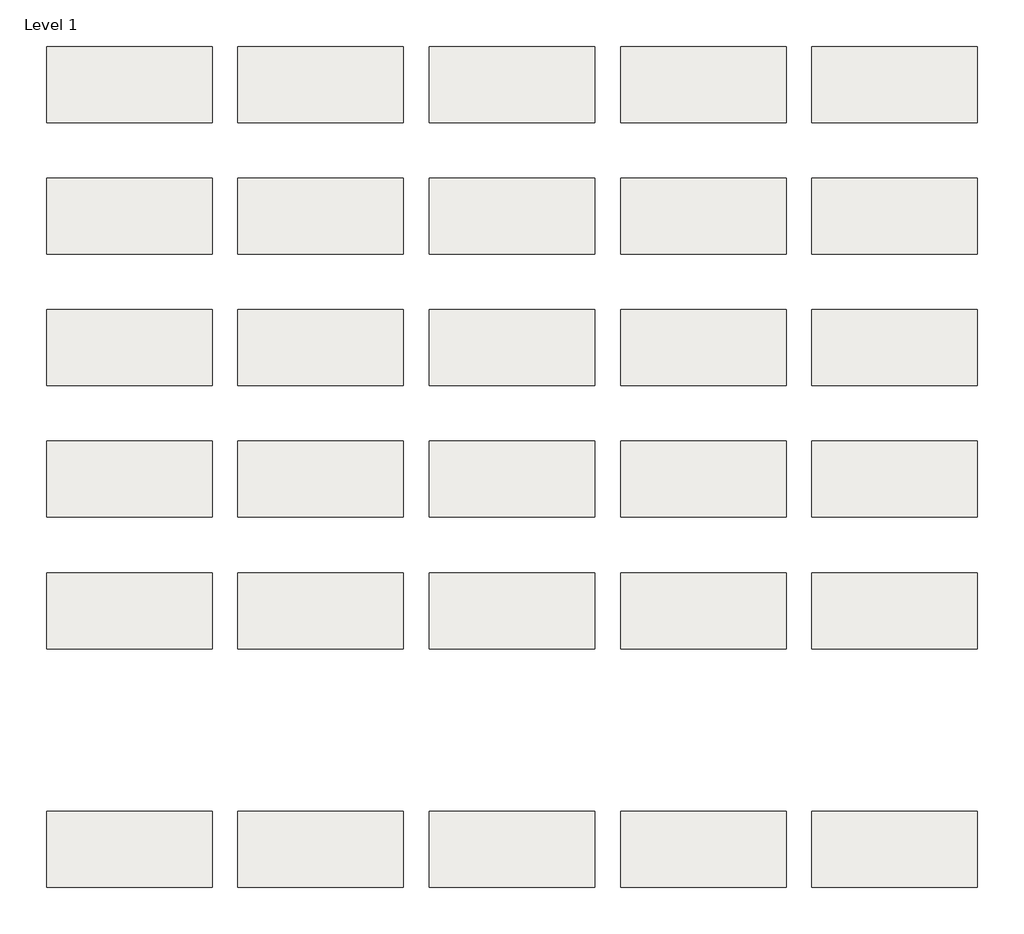
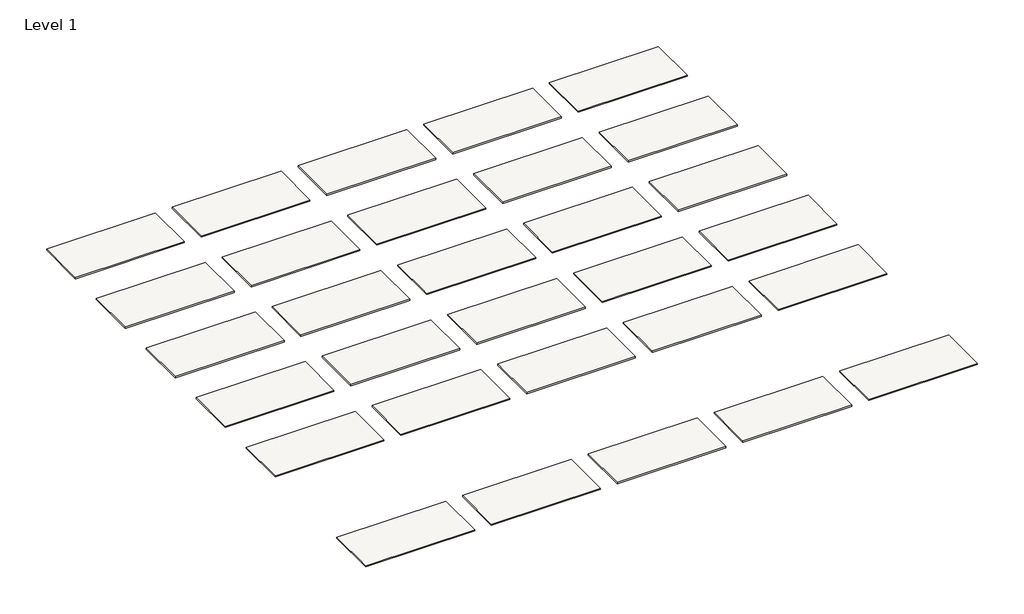
# One storey: 30 roofs.
"""IFC4 building model written with IfcOpenShell, lengths in millimetres."""

from ifc_helpers import new_model, si_unit, origin, origin_with_axes, place, context, project, spatial, polyline, outline, extrude, element, save

model = new_model("IFC4")

# Units and contexts
model_context = context("Model", 3, world=origin())
ifc_project = project(units=[si_unit("LENGTHUNIT", "METRE", prefix="MILLI")], contexts=[model_context])

# Site, building, storey
site = spatial("IfcSite", under=ifc_project)
building = spatial("IfcBuilding", under=site)
storey = spatial("IfcBuildingStorey", under=building, Name="Level 1", Elevation=0.0)

# Roofs
placement = place(None, origin())
element("IfcRoof", 1, at=placement, inside=storey, context=model_context, shape_type="SweptSolid", body=[
    extrude(outline(polyline([(-9725.8471173, -1370.5264682), (-6627.0471173, -1370.5264682), (-6627.0471173, -2792.9264682), (-9725.8471173, -2792.9264682), (-9725.8471173, -1370.5264682)])), origin_with_axes(), (0.0, 0.0, 1.0), 38.1),
])
element("IfcRoof", 2, at=placement, inside=storey, context=model_context, shape_type="SweptSolid", body=[
    extrude(outline(polyline([(-6144.4471173, -1370.5264682), (-3045.6471173, -1370.5264682), (-3045.6471173, -2792.9264682), (-6144.4471173, -2792.9264682), (-6144.4471173, -1370.5264682)])), origin_with_axes(), (0.0, 0.0, 1.0), 38.1),
])
element("IfcRoof", 3, at=placement, inside=storey, context=model_context, shape_type="SweptSolid", body=[
    extrude(outline(polyline([(-2563.0471173, -1370.5264682), (535.7528827, -1370.5264682), (535.7528827, -2792.9264682), (-2563.0471173, -2792.9264682), (-2563.0471173, -1370.5264682)])), origin_with_axes(), (0.0, 0.0, 1.0), 38.1),
])
element("IfcRoof", 4, at=placement, inside=storey, context=model_context, shape_type="SweptSolid", body=[
    extrude(outline(polyline([(1018.3528827, -1370.5264682), (4117.1528827, -1370.5264682), (4117.1528827, -2792.9264682), (1018.3528827, -2792.9264682), (1018.3528827, -1370.5264682)])), origin_with_axes(), (0.0, 0.0, 1.0), 38.1),
])
element("IfcRoof", 5, at=placement, inside=storey, context=model_context, shape_type="SweptSolid", body=[
    extrude(outline(polyline([(4599.7528827, -1370.5264682), (7698.5528827, -1370.5264682), (7698.5528827, -2792.9264682), (4599.7528827, -2792.9264682), (4599.7528827, -1370.5264682)])), origin_with_axes(), (0.0, 0.0, 1.0), 38.1),
])
element("IfcRoof", 6, at=placement, inside=storey, context=model_context, shape_type="SweptSolid", body=[
    extrude(outline(polyline([(-9725.8471173, 1093.2735318), (-6627.0471173, 1093.2735318), (-6627.0471173, -329.1264682), (-9725.8471173, -329.1264682), (-9725.8471173, 1093.2735318)])), origin_with_axes(), (0.0, 0.0, 1.0), 38.1),
])
element("IfcRoof", 7, at=placement, inside=storey, context=model_context, shape_type="SweptSolid", body=[
    extrude(outline(polyline([(-6144.4471173, 1093.2735318), (-3045.6471173, 1093.2735318), (-3045.6471173, -329.1264682), (-6144.4471173, -329.1264682), (-6144.4471173, 1093.2735318)])), origin_with_axes(), (0.0, 0.0, 1.0), 38.1),
])
element("IfcRoof", 8, at=placement, inside=storey, context=model_context, shape_type="SweptSolid", body=[
    extrude(outline(polyline([(-2563.0471173, 1093.2735318), (535.7528827, 1093.2735318), (535.7528827, -329.1264682), (-2563.0471173, -329.1264682), (-2563.0471173, 1093.2735318)])), origin_with_axes(), (0.0, 0.0, 1.0), 38.1),
])
element("IfcRoof", 9, at=placement, inside=storey, context=model_context, shape_type="SweptSolid", body=[
    extrude(outline(polyline([(1018.3528827, 1093.2735318), (4117.1528827, 1093.2735318), (4117.1528827, -329.1264682), (1018.3528827, -329.1264682), (1018.3528827, 1093.2735318)])), origin_with_axes(), (0.0, 0.0, 1.0), 38.1),
])
element("IfcRoof", 10, at=placement, inside=storey, context=model_context, shape_type="SweptSolid", body=[
    extrude(outline(polyline([(4599.7528827, 1093.2735318), (7698.5528827, 1093.2735318), (7698.5528827, -329.1264682), (4599.7528827, -329.1264682), (4599.7528827, 1093.2735318)])), origin_with_axes(), (0.0, 0.0, 1.0), 38.1),
])
element("IfcRoof", 11, at=placement, inside=storey, context=model_context, shape_type="SweptSolid", body=[
    extrude(outline(polyline([(-9725.8471173, 3557.0735318), (-6627.0471173, 3557.0735318), (-6627.0471173, 2134.6735318), (-9725.8471173, 2134.6735318), (-9725.8471173, 3557.0735318)])), origin_with_axes(), (0.0, 0.0, 1.0), 38.1),
])
element("IfcRoof", 12, at=placement, inside=storey, context=model_context, shape_type="SweptSolid", body=[
    extrude(outline(polyline([(-6144.4471173, 3557.0735318), (-3045.6471173, 3557.0735318), (-3045.6471173, 2134.6735318), (-6144.4471173, 2134.6735318), (-6144.4471173, 3557.0735318)])), origin_with_axes(), (0.0, 0.0, 1.0), 38.1),
])
element("IfcRoof", 13, at=placement, inside=storey, context=model_context, shape_type="SweptSolid", body=[
    extrude(outline(polyline([(-2563.0471173, 3557.0735318), (535.7528827, 3557.0735318), (535.7528827, 2134.6735318), (-2563.0471173, 2134.6735318), (-2563.0471173, 3557.0735318)])), origin_with_axes(), (0.0, 0.0, 1.0), 38.1),
])
element("IfcRoof", 14, at=placement, inside=storey, context=model_context, shape_type="SweptSolid", body=[
    extrude(outline(polyline([(1018.3528827, 3557.0735318), (4117.1528827, 3557.0735318), (4117.1528827, 2134.6735318), (1018.3528827, 2134.6735318), (1018.3528827, 3557.0735318)])), origin_with_axes(), (0.0, 0.0, 1.0), 38.1),
])
element("IfcRoof", 15, at=placement, inside=storey, context=model_context, shape_type="SweptSolid", body=[
    extrude(outline(polyline([(4599.7528827, 3557.0735318), (7698.5528827, 3557.0735318), (7698.5528827, 2134.6735318), (4599.7528827, 2134.6735318), (4599.7528827, 3557.0735318)])), origin_with_axes(), (0.0, 0.0, 1.0), 38.1),
])
element("IfcRoof", 16, at=placement, inside=storey, context=model_context, shape_type="SweptSolid", body=[
    extrude(outline(polyline([(-9725.8471173, 6020.8735318), (-6627.0471173, 6020.8735318), (-6627.0471173, 4598.4735318), (-9725.8471173, 4598.4735318), (-9725.8471173, 6020.8735318)])), origin_with_axes(), (0.0, 0.0, 1.0), 38.1),
])
element("IfcRoof", 17, at=placement, inside=storey, context=model_context, shape_type="SweptSolid", body=[
    extrude(outline(polyline([(-6144.4471173, 6020.8735318), (-3045.6471173, 6020.8735318), (-3045.6471173, 4598.4735318), (-6144.4471173, 4598.4735318), (-6144.4471173, 6020.8735318)])), origin_with_axes(), (0.0, 0.0, 1.0), 38.1),
])
element("IfcRoof", 18, at=placement, inside=storey, context=model_context, shape_type="SweptSolid", body=[
    extrude(outline(polyline([(-2563.0471173, 6020.8735318), (535.7528827, 6020.8735318), (535.7528827, 4598.4735318), (-2563.0471173, 4598.4735318), (-2563.0471173, 6020.8735318)])), origin_with_axes(), (0.0, 0.0, 1.0), 38.1),
])
element("IfcRoof", 19, at=placement, inside=storey, context=model_context, shape_type="SweptSolid", body=[
    extrude(outline(polyline([(1018.3528827, 6020.8735318), (4117.1528827, 6020.8735318), (4117.1528827, 4598.4735318), (1018.3528827, 4598.4735318), (1018.3528827, 6020.8735318)])), origin_with_axes(), (0.0, 0.0, 1.0), 38.1),
])
element("IfcRoof", 20, at=placement, inside=storey, context=model_context, shape_type="SweptSolid", body=[
    extrude(outline(polyline([(4599.7528827, 6020.8735318), (7698.5528827, 6020.8735318), (7698.5528827, 4598.4735318), (4599.7528827, 4598.4735318), (4599.7528827, 6020.8735318)])), origin_with_axes(), (0.0, 0.0, 1.0), 38.1),
])
element("IfcRoof", 21, at=placement, inside=storey, context=model_context, shape_type="SweptSolid", body=[
    extrude(outline(polyline([(-9725.8471173, 8484.6735318), (-6627.0471173, 8484.6735318), (-6627.0471173, 7062.2735318), (-9725.8471173, 7062.2735318), (-9725.8471173, 8484.6735318)])), origin_with_axes(), (0.0, 0.0, 1.0), 38.1),
])
element("IfcRoof", 22, at=placement, inside=storey, context=model_context, shape_type="SweptSolid", body=[
    extrude(outline(polyline([(-6144.4471173, 8484.6735318), (-3045.6471173, 8484.6735318), (-3045.6471173, 7062.2735318), (-6144.4471173, 7062.2735318), (-6144.4471173, 8484.6735318)])), origin_with_axes(), (0.0, 0.0, 1.0), 38.1),
])
element("IfcRoof", 23, at=placement, inside=storey, context=model_context, shape_type="SweptSolid", body=[
    extrude(outline(polyline([(-2563.0471173, 8484.6735318), (535.7528827, 8484.6735318), (535.7528827, 7062.2735318), (-2563.0471173, 7062.2735318), (-2563.0471173, 8484.6735318)])), origin_with_axes(), (0.0, 0.0, 1.0), 38.1),
])
element("IfcRoof", 24, at=placement, inside=storey, context=model_context, shape_type="SweptSolid", body=[
    extrude(outline(polyline([(1018.3528827, 8484.6735318), (4117.1528827, 8484.6735318), (4117.1528827, 7062.2735318), (1018.3528827, 7062.2735318), (1018.3528827, 8484.6735318)])), origin_with_axes(), (0.0, 0.0, 1.0), 38.1),
])
element("IfcRoof", 25, at=placement, inside=storey, context=model_context, shape_type="SweptSolid", body=[
    extrude(outline(polyline([(4599.7528827, 8484.6735318), (7698.5528827, 8484.6735318), (7698.5528827, 7062.2735318), (4599.7528827, 7062.2735318), (4599.7528827, 8484.6735318)])), origin_with_axes(), (0.0, 0.0, 1.0), 38.1),
])
element("IfcRoof", 26, at=placement, inside=storey, context=model_context, shape_type="SweptSolid", body=[
    extrude(outline(polyline([(-9725.8471173, -5840.9264682), (-6627.0471173, -5840.9264682), (-6627.0471173, -7263.3264682), (-9725.8471173, -7263.3264682), (-9725.8471173, -5840.9264682)])), origin_with_axes(), (0.0, 0.0, 1.0), 38.1),
])
element("IfcRoof", 27, at=placement, inside=storey, context=model_context, shape_type="SweptSolid", body=[
    extrude(outline(polyline([(-6144.4471173, -5840.9264682), (-3045.6471173, -5840.9264682), (-3045.6471173, -7263.3264682), (-6144.4471173, -7263.3264682), (-6144.4471173, -5840.9264682)])), origin_with_axes(), (0.0, 0.0, 1.0), 38.1),
])
element("IfcRoof", 28, at=placement, inside=storey, context=model_context, shape_type="SweptSolid", body=[
    extrude(outline(polyline([(-2563.0471173, -5840.9264682), (535.7528827, -5840.9264682), (535.7528827, -7263.3264682), (-2563.0471173, -7263.3264682), (-2563.0471173, -5840.9264682)])), origin_with_axes(), (0.0, 0.0, 1.0), 38.1),
])
element("IfcRoof", 29, at=placement, inside=storey, context=model_context, shape_type="SweptSolid", body=[
    extrude(outline(polyline([(1018.3528827, -5840.9264682), (4117.1528827, -5840.9264682), (4117.1528827, -7263.3264682), (1018.3528827, -7263.3264682), (1018.3528827, -5840.9264682)])), origin_with_axes(), (0.0, 0.0, 1.0), 38.1),
])
element("IfcRoof", 30, at=placement, inside=storey, context=model_context, shape_type="SweptSolid", body=[
    extrude(outline(polyline([(4599.7528827, -5840.9264682), (7698.5528827, -5840.9264682), (7698.5528827, -7263.3264682), (4599.7528827, -7263.3264682), (4599.7528827, -5840.9264682)])), origin_with_axes(), (0.0, 0.0, 1.0), 38.1),
])

save(model, "model.ifc")
